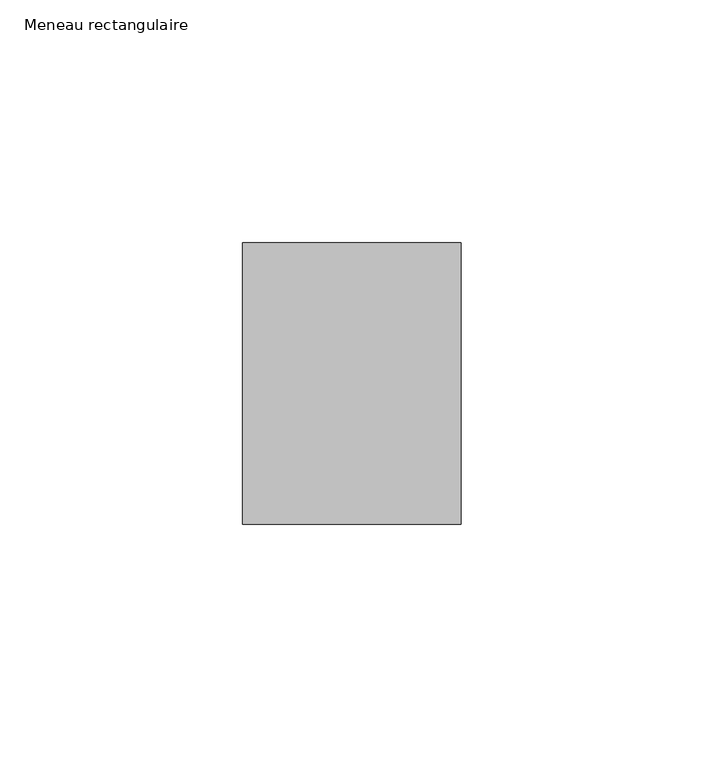
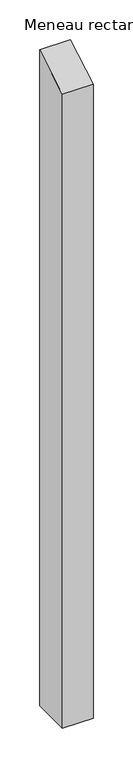
"""IFC4 building model written with IfcOpenShell, lengths in millimetres: member geometry, Meneau rectangulaire."""

from ifc_helpers import new_model, si_unit, frame, origin, place, context, project, spatial, polyline, outline, extrude, source, transform, mapped, element, save


def meneau_rectangulaire_2321a7ee(model_context):
    return source(origin(), model_context, "Body", "SweptSolid", [
        extrude(outline(polyline([(-29.0, -16.7431578), (29.0, 16.7431578), (29.0, -995.6707161), (-29.0, -995.6707161), (-29.0, -16.7431578)])), frame((-45.0, 0.0, 0.0), z_axis=(1.0, 0.0, 0.0), x_axis=(0.0, 1.0, 0.0)), (0.0, 0.0, 1.0), 45.0),
    ])


if __name__ == "__main__":
    model = new_model("IFC4")
    model_context = context("Model", 3, world=origin())
    ifc_project = project(units=[si_unit("LENGTHUNIT", "METRE", prefix="MILLI")], contexts=[model_context])
    site = spatial("IfcSite", under=ifc_project)
    building = spatial("IfcBuilding", under=site)
    placement = place(None, origin())
    meneau_rectangulaire_shape = meneau_rectangulaire_2321a7ee(model_context)
    element("IfcMember", 1, ObjectType="Meneau rectangulaire", at=placement, inside=building, context=model_context, shape_type="MappedRepresentation", body=[
        mapped(meneau_rectangulaire_shape, transform((0.0, 0.0, 0.0), x_axis=(1.0, 0.0, 0.0), y_axis=(0.0, 1.0, 0.0), z_axis=(0.0, 0.0, 1.0))),
    ])
    save(model, "model.ifc")
